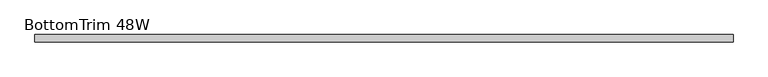
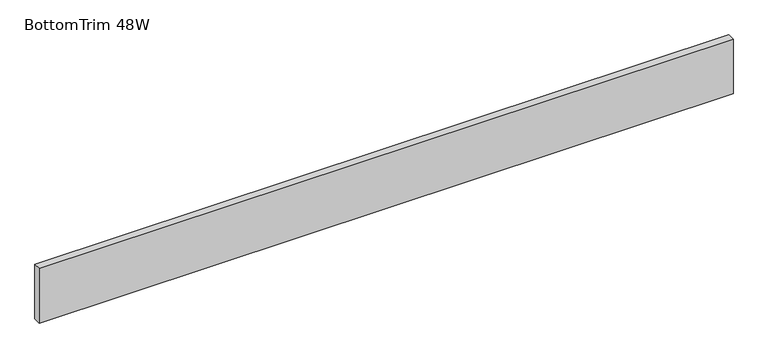
"""IFC4 building model written with IfcOpenShell, lengths in millimetres: furniture geometry, BottomTrim 48W."""

from ifc_helpers import new_model, si_unit, frame, origin, place, context, project, spatial, polyline, outline, extrude, source, transform, mapped, element, save


def bottomtrim_48w_1cd5e6ed(model_context):
    return source(origin(), model_context, "Body", "SweptSolid", [
        extrude(outline(polyline([(0.0, -50.8000015), (0.0, -38.1), (1219.2, -38.1), (1219.2, -50.8000015), (0.0, -50.8000015)])), frame((0.0, 0.0, 25.4), z_axis=(0.0, 0.0, 1.0), x_axis=(1.0, 0.0, 0.0)), (0.0, 0.0, 1.0), 101.600003),
    ])


if __name__ == "__main__":
    model = new_model("IFC4")
    model_context = context("Model", 3, world=origin())
    ifc_project = project(units=[si_unit("LENGTHUNIT", "METRE", prefix="MILLI")], contexts=[model_context])
    site = spatial("IfcSite", under=ifc_project)
    building = spatial("IfcBuilding", under=site)
    placement = place(None, origin())
    bottomtrim_48w_shape = bottomtrim_48w_1cd5e6ed(model_context)
    element("IfcFurniture", 1, ObjectType="BottomTrim 48W", at=placement, inside=building, context=model_context, shape_type="MappedRepresentation", body=[
        mapped(bottomtrim_48w_shape, transform((0.0, 0.0, 0.0), x_axis=(1.0, 0.0, 0.0), y_axis=(0.0, 1.0, 0.0), z_axis=(0.0, 0.0, 1.0))),
    ])
    save(model, "model.ifc")
